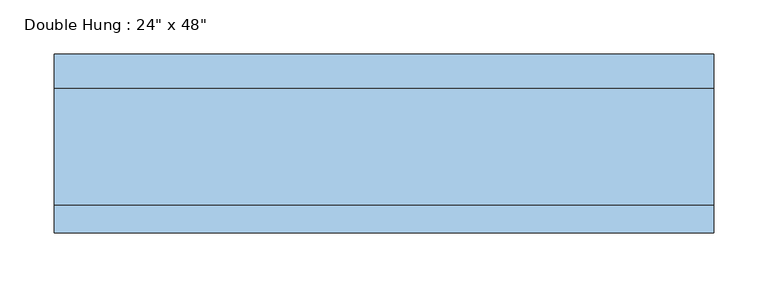
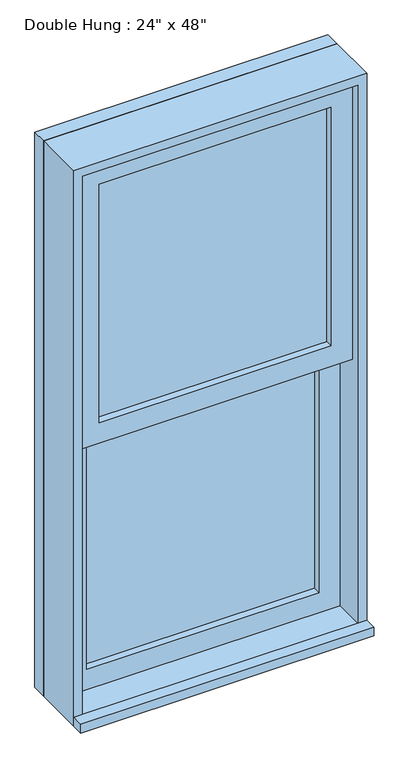
"""IFC4 building model written with IfcOpenShell, lengths in millimetres: window geometry."""

import ifcopenshell
import ifcopenshell.guid

model = None  # the IFC model being written
_history = None  # IfcOwnerHistory: only IFC2X3 demands one
_inside = {}  # id of a spatial element -> (the spatial element, [elements in it])
_under = {}  # id of a project, library or spatial element -> (it, [spatial elements below it])
_declared = {}  # id of a project -> (the project, [libraries it declares])
_typed = {}  # id of a type object -> (the type object, [elements of that type])
_made_of = {}  # id of a material, layer set ... -> (it, [elements and type objects made of it])


def new_model(schema):
    """Start an empty IFC model of exactly this schema.

    Asked for "IFC4X3", IfcOpenShell would pick the latest addendum, in which some entities
    have other attributes; the version numbers below select the first issue.
    IFC2X3 requires an IfcOwnerHistory on every rooted entity: one is made here for all.
    """
    global model, _history
    if schema == "IFC4X3":
        model = ifcopenshell.file(schema_version=(4, 3, 0, 0))
    else:
        model = ifcopenshell.file(schema=schema)
    _inside.clear()
    _under.clear()
    _declared.clear()
    _typed.clear()
    _made_of.clear()
    _history = None
    if model.schema == "IFC2X3":
        org = make("IfcOrganization", Name="unknown")
        user = make(
            "IfcPersonAndOrganization",
            ThePerson=make("IfcPerson", FamilyName="unknown"),
            TheOrganization=org,
        )
        app = make(
            "IfcApplication",
            ApplicationDeveloper=org,
            Version="unknown",
            ApplicationFullName="unknown",
            ApplicationIdentifier="unknown",
        )
        _history = make(
            "IfcOwnerHistory",
            OwningUser=user,
            OwningApplication=app,
            ChangeAction="ADDED",
            CreationDate=0,
        )
    return model


def make(cls, **values):
    """One entity of the class cls with the attributes given. An attribute that is None is left unset."""
    return model.create_entity(
        cls, **{name: value for name, value in values.items() if value is not None}
    )


def rooted(cls, **values):
    """An entity with a GlobalId (a new one), such as an element, a storey or a relation."""
    return make(cls, GlobalId=ifcopenshell.guid.new(), OwnerHistory=_history, **values)


def si_unit(unit_type, name, prefix=None):
    """IfcSIUnit, for example si_unit("LENGTHUNIT", "METRE", prefix="MILLI")."""
    return make("IfcSIUnit", UnitType=unit_type, Prefix=prefix, Name=name)


def assignment(units):
    """IfcUnitAssignment: the units of a project."""
    return None if units is None else make("IfcUnitAssignment", Units=units)


def point(xyz):
    """IfcCartesianPoint."""
    return None if xyz is None else make("IfcCartesianPoint", Coordinates=xyz)


def direction(xyz):
    """IfcDirection."""
    return None if xyz is None else make("IfcDirection", DirectionRatios=xyz)


def frame(location, z_axis=None, x_axis=None):
    """IfcAxis2Placement3D, a coordinate frame: its origin and axes. An axis left out is left unset."""
    return make(
        "IfcAxis2Placement3D",
        Location=point(location),
        Axis=direction(z_axis),
        RefDirection=direction(x_axis),
    )


def origin():
    """The frame at (0, 0, 0) with its axes left unset."""
    return frame((0.0, 0.0, 0.0))


def place(relative_to, where):
    """IfcLocalPlacement: puts the frame where relative to a parent placement (None: the world)."""
    return make(
        "IfcLocalPlacement", PlacementRelTo=relative_to, RelativePlacement=where
    )


def context(
    kind, dimensions, precision=None, world=None, true_north=None, identifier=None
):
    """IfcGeometricRepresentationContext, for example the 3D "Model" context."""
    return make(
        "IfcGeometricRepresentationContext",
        ContextIdentifier=identifier,
        ContextType=kind,
        CoordinateSpaceDimension=dimensions,
        Precision=precision,
        WorldCoordinateSystem=world,
        TrueNorth=true_north,
    )


def project(units=None, contexts=None):
    """IfcProject with its units and contexts."""
    return rooted(
        "IfcProject",
        Name="project",
        RepresentationContexts=contexts,
        UnitsInContext=assignment(units),
    )


def spatial(cls, under=None, at=None, **own):
    """A site, building, storey or space (cls), placed at a placement, below another one or the project."""
    s = rooted(cls, ObjectPlacement=at, **own)
    if under is not None:
        _under.setdefault(under.id(), (under, []))[1].append(s)
    return s


def polyline(points):
    """IfcPolyline through the points."""
    return make("IfcPolyline", Points=[point(p) for p in points])


def outline(outer, holes=None, kind="AREA"):
    """IfcArbitraryClosedProfileDef: a profile drawn as a closed curve; with holes, ...WithVoids."""
    if holes is None:
        return make("IfcArbitraryClosedProfileDef", ProfileType=kind, OuterCurve=outer)
    return make(
        "IfcArbitraryProfileDefWithVoids",
        ProfileType=kind,
        OuterCurve=outer,
        InnerCurves=holes,
    )


def extrude(swept, where, along, depth):
    """IfcExtrudedAreaSolid: the profile swept, set in the frame where, extruded along a direction by depth."""
    return make(
        "IfcExtrudedAreaSolid",
        SweptArea=swept,
        Position=where,
        ExtrudedDirection=direction(along),
        Depth=depth,
    )


def shape(context_of_items, identifier, shape_type, items):
    """IfcShapeRepresentation: the items that make up one representation, for example the "Body"."""
    return make(
        "IfcShapeRepresentation",
        ContextOfItems=context_of_items,
        RepresentationIdentifier=identifier,
        RepresentationType=shape_type,
        Items=items,
    )


def source(mapping_origin, context_of_items, identifier, shape_type, items):
    """IfcRepresentationMap: a shape defined once, which mapped items show again and again."""
    return make(
        "IfcRepresentationMap",
        MappingOrigin=mapping_origin,
        MappedRepresentation=shape(context_of_items, identifier, shape_type, items),
    )


def transform(
    local_origin,
    x_axis=None,
    y_axis=None,
    z_axis=None,
    scale=None,
    scale2=None,
    scale3=None,
    uniform=True,
):
    """IfcCartesianTransformationOperator3D, or its non-uniform kind. x_axis, y_axis, z_axis: its Axis1, 2, 3."""
    if uniform:
        return make(
            "IfcCartesianTransformationOperator3D",
            Axis1=direction(x_axis),
            Axis2=direction(y_axis),
            LocalOrigin=point(local_origin),
            Scale=scale,
            Axis3=direction(z_axis),
        )
    return make(
        "IfcCartesianTransformationOperator3DnonUniform",
        Axis1=direction(x_axis),
        Axis2=direction(y_axis),
        LocalOrigin=point(local_origin),
        Scale=scale,
        Axis3=direction(z_axis),
        Scale2=scale2,
        Scale3=scale3,
    )


def mapped(mapping_source, mapping_target):
    """IfcMappedItem: shows the shape of a source again, moved by a transform."""
    return make(
        "IfcMappedItem", MappingSource=mapping_source, MappingTarget=mapping_target
    )


def made_of(thing, what):
    """Note that an element or type object is made of a material, layer set ...; save() writes the relation."""
    if what is not None:
        _made_of.setdefault(what.id(), (what, []))[1].append(thing)
    return thing


def element(
    cls,
    number,
    at=None,
    inside=None,
    cuts=None,
    type_object=None,
    material=None,
    context=None,
    identifier="Body",
    shape_type=None,
    held_by="IfcProductDefinitionShape",
    body=None,
    shapes=None,
    **own,
):
    """One element of the class cls, such as IfcWall. Its Tag is "e" and its number.

    at: its placement. inside: the storey or other place that contains it. cuts: it is an
    opening in that element (IfcRelVoidsElement). A single representation is given by context,
    identifier, shape_type and body (its items); several are given by shapes. held_by: the class
    of the entity that holds the representations. save() writes the other relations.
    """
    e = rooted(cls, Tag="e%d" % number, ObjectPlacement=at, **own)
    if body is not None:
        shapes = [shape(context, identifier, shape_type, body)]
    if shapes is not None:
        e.Representation = make(held_by, Representations=shapes)
    if inside is not None:
        _inside.setdefault(inside.id(), (inside, []))[1].append(e)
    if cuts is not None:
        rooted(
            "IfcRelVoidsElement", RelatingBuildingElement=cuts, RelatedOpeningElement=e
        )
    if type_object is not None:
        _typed.setdefault(type_object.id(), (type_object, []))[1].append(e)
    return made_of(e, material)


def aggregate(whole, parts):
    """IfcRelAggregates: a whole, such as a stair, and the parts it consists of."""
    return rooted("IfcRelAggregates", RelatingObject=whole, RelatedObjects=parts)


def save(model, path):
    """Write the relations noted so far, then the file.

    IfcRelAggregates (storeys below a building ...), IfcRelContainedInSpatialStructure (elements
    in a storey), IfcRelDefinesByType, IfcRelAssociatesMaterial and IfcRelDeclares: one each for
    every whole, place, type object, material and project.
    """
    for whole, parts in _under.values():
        aggregate(whole, parts)
    for where, things in _inside.values():
        rooted(
            "IfcRelContainedInSpatialStructure",
            RelatedElements=things,
            RelatingStructure=where,
        )
    for kind, things in _typed.values():
        rooted("IfcRelDefinesByType", RelatedObjects=things, RelatingType=kind)
    for what, things in _made_of.values():
        rooted("IfcRelAssociatesMaterial", RelatedObjects=things, RelatingMaterial=what)
    for by, libraries in _declared.values():
        rooted("IfcRelDeclares", RelatingContext=by, RelatedDefinitions=libraries)
    model.write(path)


def window_5e02154b(model_context):
    return source(origin(), model_context, "Body", "SweptSolid", [
        extrude(outline(polyline([(-241.3, 9.525), (-241.3, 22.225), (241.3, 22.225), (241.3, 9.525), (-241.3, 9.525)])), frame((0.0, 0.0, 977.9), z_axis=(0.0, 0.0, 1.0), x_axis=(1.0, 0.0, 0.0)), (0.0, 0.0, 1.0), 523.875),
        extrude(outline(polyline([(1546.225, -285.75), (933.45, -285.75), (933.45, 285.75), (1546.225, 285.75), (1546.225, -285.75)]), holes=[polyline([(1501.775, -241.3), (1501.775, 241.3), (977.9, 241.3), (977.9, -241.3), (1501.775, -241.3)])]), frame((0.0, -6.35, 0.0), z_axis=(0.0, 1.0, 0.0), x_axis=(0.0, 0.0, 1.0)), (0.0, 0.0, 1.0), 44.45),
        extrude(outline(polyline([(-304.8, -95.25), (-304.8, -69.85), (304.8, -69.85), (304.8, -95.25), (-304.8, -95.25)])), frame((0.0, 0.0, 914.4), z_axis=(0.0, 0.0, 1.0), x_axis=(1.0, 0.0, 0.0)), (0.0, 0.0, 1.0), 19.05),
        extrude(outline(polyline([(241.3, -22.225), (241.3, -34.925), (-241.3, -34.925), (-241.3, -22.225), (241.3, -22.225)])), frame((0.0, 0.0, 1546.225), z_axis=(0.0, 0.0, 1.0), x_axis=(1.0, 0.0, 0.0)), (0.0, 0.0, 1.0), 523.875),
        extrude(outline(polyline([(2114.55, -285.75), (1501.775, -285.75), (1501.775, 285.75), (2114.55, 285.75), (2114.55, -285.75)]), holes=[polyline([(2070.1, -241.3), (2070.1, 241.3), (1546.225, 241.3), (1546.225, -241.3), (2070.1, -241.3)])]), frame((0.0, -50.8, 0.0), z_axis=(0.0, 1.0, 0.0), x_axis=(0.0, 0.0, 1.0)), (0.0, 0.0, 1.0), 44.45),
        extrude(outline(polyline([(2133.6, -304.8), (914.4, -304.8), (914.4, 304.8), (2133.6, 304.8), (2133.6, -304.8)]), holes=[polyline([(2101.85, -273.05), (2101.85, 273.05), (946.15, 273.05), (946.15, -273.05), (2101.85, -273.05)])]), frame((0.0, 38.1, 0.0), z_axis=(0.0, 1.0, 0.0), x_axis=(0.0, 0.0, 1.0)), (0.0, 0.0, 1.0), 31.75),
        extrude(outline(polyline([(2133.6, 304.8), (2133.6, -304.8), (914.4, -304.8), (914.4, 304.8), (2133.6, 304.8)]), holes=[polyline([(2114.55, 285.75), (933.45, 285.75), (933.45, -285.75), (2114.55, -285.75), (2114.55, 285.75)])]), frame((0.0, -69.85, 0.0), z_axis=(0.0, 1.0, 0.0), x_axis=(0.0, 0.0, 1.0)), (0.0, 0.0, 1.0), 107.95),
    ])


if __name__ == "__main__":
    model = new_model("IFC4")
    model_context = context("Model", 3, world=origin())
    ifc_project = project(units=[si_unit("LENGTHUNIT", "METRE", prefix="MILLI")], contexts=[model_context])
    site = spatial("IfcSite", under=ifc_project)
    building = spatial("IfcBuilding", under=site)
    placement = place(None, origin())
    window_shape = window_5e02154b(model_context)
    element("IfcWindow", 1, ObjectType="Double Hung : 24\" x 48\"", at=placement, inside=building, context=model_context, shape_type="MappedRepresentation", body=[
        mapped(window_shape, transform((0.0, 0.0, 0.0), x_axis=(1.0, 0.0, 0.0), y_axis=(0.0, 1.0, 0.0), z_axis=(0.0, 0.0, 1.0))),
    ])
    save(model, "model.ifc")
